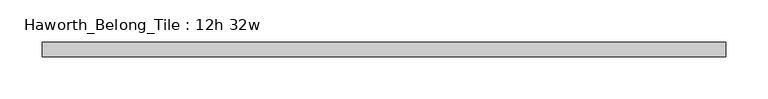
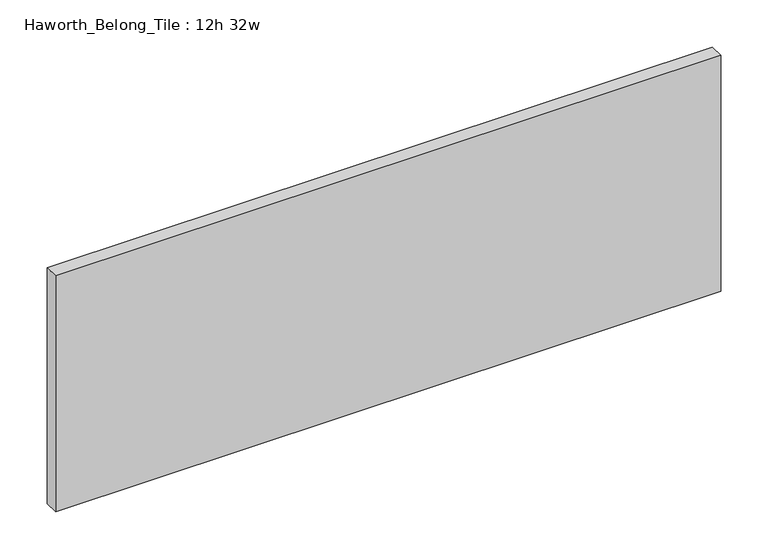
"""IFC4 building model written with IfcOpenShell, lengths in millimetres: furniture geometry, Haworth_Belong_Tile : 12h 32w."""

from ifc_helpers import new_model, si_unit, frame, origin, place, context, project, spatial, polyline, outline, extrude, source, transform, mapped, element, save


def haworth_belong_tile_12h_32w_592aae65(model_context):
    return source(origin(), model_context, "Body", "SweptSolid", [
        extrude(outline(polyline([(406.4, 8.73125), (406.4, -8.73125), (-406.4, -8.73125), (-406.4, 8.73125), (406.4, 8.73125)])), frame((0.0, 0.0, 812.8), z_axis=(0.0, 0.0, 1.0), x_axis=(1.0, 0.0, 0.0)), (0.0, 0.0, 1.0), 304.8),
    ])


if __name__ == "__main__":
    model = new_model("IFC4")
    model_context = context("Model", 3, world=origin())
    ifc_project = project(units=[si_unit("LENGTHUNIT", "METRE", prefix="MILLI")], contexts=[model_context])
    site = spatial("IfcSite", under=ifc_project)
    building = spatial("IfcBuilding", under=site)
    placement = place(None, origin())
    haworth_belong_tile_12h_32w_shape = haworth_belong_tile_12h_32w_592aae65(model_context)
    element("IfcFurniture", 1, ObjectType="Haworth_Belong_Tile : 12h 32w", at=placement, inside=building, context=model_context, shape_type="MappedRepresentation", body=[
        mapped(haworth_belong_tile_12h_32w_shape, transform((0.0, 0.0, 0.0), x_axis=(1.0, 0.0, 0.0), y_axis=(0.0, 1.0, 0.0), z_axis=(0.0, 0.0, 1.0))),
    ])
    save(model, "model.ifc")
